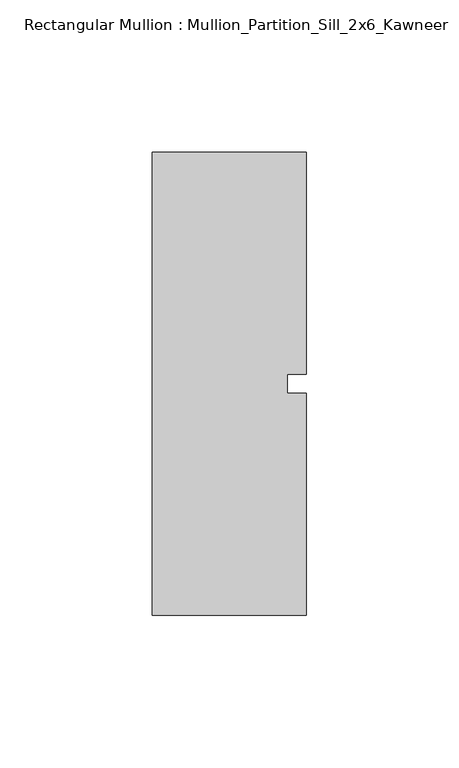
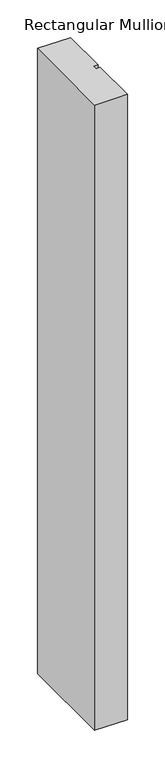
"""IFC4 building model written with IfcOpenShell, lengths in millimetres: member geometry, Rectangular Mullion : Mullion_Partition_Sill_2x6_Kawneer."""

from ifc_helpers import new_model, si_unit, frame, origin, place, context, project, spatial, polyline, outline, extrude, source, transform, mapped, element, save


def rectangular_mullion_mullion_partition_sill_2x6_kawneer_74dd1b13(model_context):
    return source(origin(), model_context, "Body", "SweptSolid", [
        extrude(outline(polyline([(25.4, -76.2), (-25.4, -76.2), (-25.4, 76.2), (25.4, 76.2), (25.4, 3.175), (19.05, 3.175), (19.05, -3.175), (25.4, -3.175), (25.4, -76.2)])), frame((0.0, 0.0, -1016.0), z_axis=(0.0, 0.0, 1.0), x_axis=(1.0, 0.0, 0.0)), (0.0, 0.0, 1.0), 1016.0),
    ])


if __name__ == "__main__":
    model = new_model("IFC4")
    model_context = context("Model", 3, world=origin())
    ifc_project = project(units=[si_unit("LENGTHUNIT", "METRE", prefix="MILLI")], contexts=[model_context])
    site = spatial("IfcSite", under=ifc_project)
    building = spatial("IfcBuilding", under=site)
    placement = place(None, origin())
    rectangular_mullion_mullion_partition_sill_2x6_kawneer_shape = rectangular_mullion_mullion_partition_sill_2x6_kawneer_74dd1b13(model_context)
    element("IfcMember", 1, ObjectType="Rectangular Mullion : Mullion_Partition_Sill_2x6_Kawneer", at=placement, inside=building, context=model_context, shape_type="MappedRepresentation", body=[
        mapped(rectangular_mullion_mullion_partition_sill_2x6_kawneer_shape, transform((0.0, 0.0, 0.0), x_axis=(1.0, 0.0, 0.0), y_axis=(0.0, 1.0, 0.0), z_axis=(0.0, 0.0, 1.0))),
    ])
    save(model, "model.ifc")
